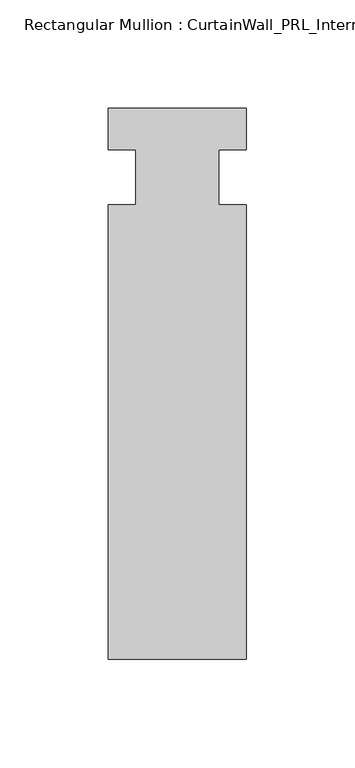
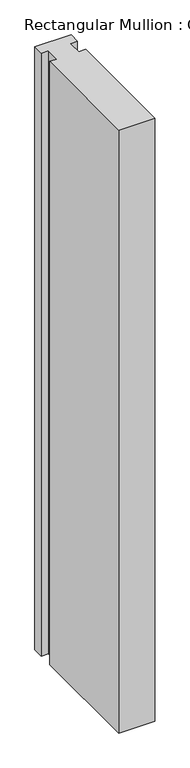
"""IFC4 building model written with IfcOpenShell, lengths in millimetres: member geometry, Rectangular Mullion : CurtainWall_PRL_Intermediate_1002."""

from ifc_helpers import new_model, si_unit, frame, origin, place, context, project, spatial, polyline, outline, extrude, source, transform, mapped, element, save


def rectangular_mullion_curtainwall_prl_intermediate_1002_5141b0e7(model_context):
    return source(origin(), model_context, "Body", "SweptSolid", [
        extrude(outline(polyline([(-19.05, -12.7), (-19.05, 12.7), (-31.75, 12.7), (-31.75, 31.75), (31.75, 31.75), (31.75, 12.7), (19.05, 12.7), (19.05, -12.7), (31.75, -12.7), (31.75, -222.25), (-31.75, -222.25), (-31.75, -12.7), (-19.05, -12.7)])), frame((0.0, 0.0, -1117.6), z_axis=(0.0, 0.0, 1.0), x_axis=(1.0, 0.0, 0.0)), (0.0, 0.0, 1.0), 1117.6),
    ])


if __name__ == "__main__":
    model = new_model("IFC4")
    model_context = context("Model", 3, world=origin())
    ifc_project = project(units=[si_unit("LENGTHUNIT", "METRE", prefix="MILLI")], contexts=[model_context])
    site = spatial("IfcSite", under=ifc_project)
    building = spatial("IfcBuilding", under=site)
    placement = place(None, origin())
    rectangular_mullion_curtainwall_prl_intermediate_1002_shape = rectangular_mullion_curtainwall_prl_intermediate_1002_5141b0e7(model_context)
    element("IfcMember", 1, ObjectType="Rectangular Mullion : CurtainWall_PRL_Intermediate_1002", at=placement, inside=building, context=model_context, shape_type="MappedRepresentation", body=[
        mapped(rectangular_mullion_curtainwall_prl_intermediate_1002_shape, transform((0.0, 0.0, 0.0), x_axis=(1.0, 0.0, 0.0), y_axis=(0.0, 1.0, 0.0), z_axis=(0.0, 0.0, 1.0))),
    ])
    save(model, "model.ifc")
